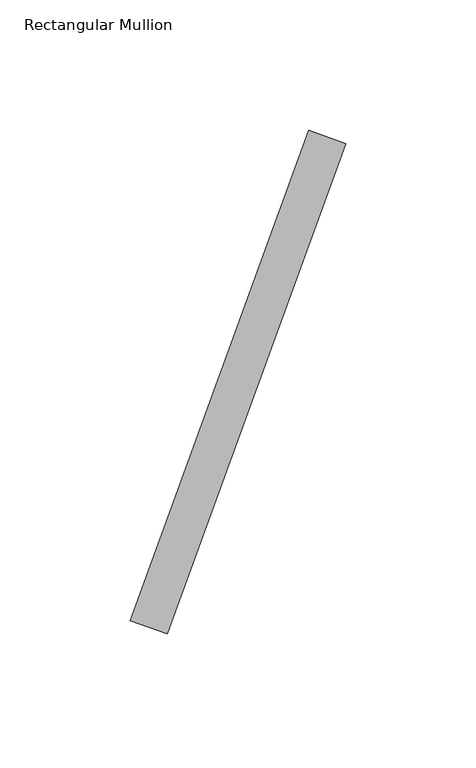
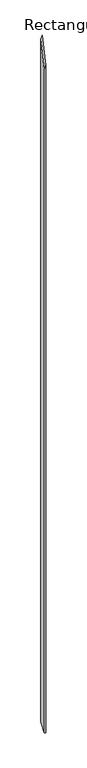
"""IFC4 building model written with IfcOpenShell, lengths in millimetres: member geometry, Rectangular Mullion."""

from ifc_helpers import new_model, si_unit, origin, place, context, project, spatial, faceted_brep, source, transform, mapped, element, save


def rectangular_mullion_333eac34(model_context):
    return source(origin(), model_context, "Body", "Brep", [
        faceted_brep([(17.193429, 47.2385578, -8068.5478307), (3.0980396, 52.36886, -8068.5478307), (71.5020683, 240.3073841, -8068.5478307), (85.5974576, 235.177082, -8068.5478307), (85.5974576, 235.177082, 285.5902446), (17.193429, 47.2385578, 57.3647363), (71.5020683, 240.3073841, 238.5619123), (3.0980396, 52.36886, 10.336404)], [[[0, 1, 2, 3]], [[4, 5, 0, 3]], [[6, 4, 3, 2]], [[7, 6, 2, 1]], [[5, 7, 1, 0]], [[5, 4, 6, 7]]]),
    ])


if __name__ == "__main__":
    model = new_model("IFC4")
    model_context = context("Model", 3, world=origin())
    ifc_project = project(units=[si_unit("LENGTHUNIT", "METRE", prefix="MILLI")], contexts=[model_context])
    site = spatial("IfcSite", under=ifc_project)
    building = spatial("IfcBuilding", under=site)
    placement = place(None, origin())
    rectangular_mullion_shape = rectangular_mullion_333eac34(model_context)
    element("IfcMember", 1, ObjectType="Rectangular Mullion", at=placement, inside=building, context=model_context, shape_type="MappedRepresentation", body=[
        mapped(rectangular_mullion_shape, transform((0.0, 0.0, 0.0), x_axis=(1.0, 0.0, 0.0), y_axis=(0.0, 1.0, 0.0), z_axis=(0.0, 0.0, 1.0))),
    ])
    save(model, "model.ifc")
